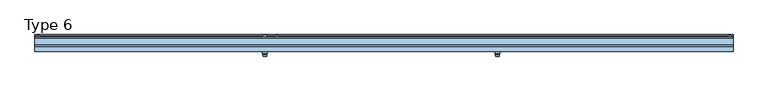
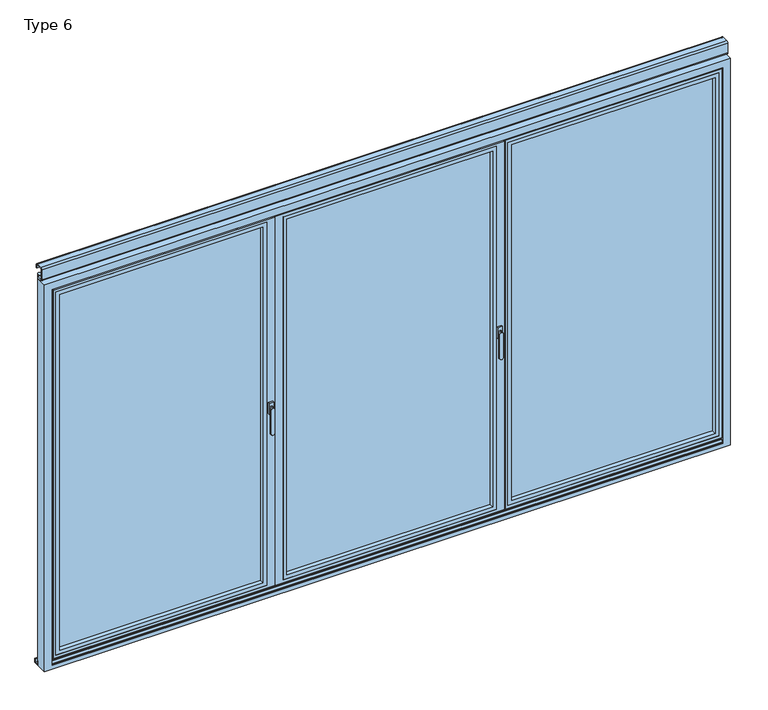
"""IFC4 building model written with IfcOpenShell, lengths in millimetres: window geometry, Type 6."""

from ifc_helpers import new_model, si_unit, point, frame, frame_2d, origin, place, context, project, spatial, polyline, circle_curve, trimmed, segment, composite_curve, outline, extrude, faceted_brep, source, transform, mapped, element, save
from ifc_brep_helpers import plane_surface, revolved_surface, advanced_brep


def type_6_958249ca(model_context):
    return source(origin(), model_context, "Body", "SolidModel", [
        advanced_brep(
        [(-620.3333333, 104.0, 896.6867153), (-620.3333333, 104.0, 1028.0), (-602.3333333, 104.0, 1028.0), (-602.3333333, 104.0, 896.6867153), (-621.3333333, 96.5, 896.6867153), (-601.3333333, 96.5, 896.6867153), (-601.3333333, 96.5, 1028.0), (-621.3333333, 96.5, 1028.0), (-622.3333333, 89.0, 1028.0), (-600.3333333, 89.0, 1028.0)],
        [
            (0, 1),
            (1, 2, circle_curve(frame((-611.3333333, 104.0, 1028.0), z_axis=(0.0, 1.0, 0.0), x_axis=(1.0, 0.0, 0.0)), 9.0)),
            (2, 3),
            (3, 0, circle_curve(frame((-611.3333333, 104.0, 896.6867153), z_axis=(0.0, 1.0, 0.0), x_axis=(-1.0, 0.0, 0.0)), 9.0)),
            (4, 5, circle_curve(frame((-611.3333333, 96.5, 896.6867153), z_axis=(0.0, -1.0, 0.0), x_axis=(-1.0, 0.0, 0.0)), 10.0)),
            (5, 6),
            (6, 7, circle_curve(frame((-611.3333333, 96.5, 1028.0), z_axis=(0.0, 1.0, 0.0), x_axis=(1.0, 0.0, 0.0)), 10.0)),
            (7, 4),
            (3, 5),
            (4, 0),
            (2, 6),
            (1, 7),
            (7, 6, circle_curve(frame((-611.3333333, 96.5, 1028.0), z_axis=(0.0, 1.0, 0.0), x_axis=(1.0, 0.0, 0.0)), 10.0)),
            (8, 9, circle_curve(frame((-611.3333333, 89.0, 1028.0), z_axis=(0.0, -1.0, 0.0), x_axis=(1.0, 0.0, 0.0)), 11.0)),
            (9, 8, circle_curve(frame((-611.3333333, 89.0, 1028.0), z_axis=(0.0, -1.0, 0.0), x_axis=(-1.0, 0.0, 0.0)), 11.0)),
            (9, 6),
            (7, 8),
        ],
        [
            plane_surface(frame((-611.3333333, 104.0, 962.3433576), z_axis=(0.0, 1.0, 0.0), x_axis=(0.0, 0.0, -1.0))),
            plane_surface(frame((-611.3333333, 96.5, 962.3433576), z_axis=(0.0, -1.0, 0.0), x_axis=(0.0, 0.0, -1.0))),
            revolved_surface(polyline([(-602.3333333, 104.0, 896.6867153), (-601.3333333, 96.5, 896.6867153)]), (-611.3333333, 171.5, 896.6867153), (0.0, -1.0, 0.0)),
            plane_surface(frame((-601.3333333, 96.5, 962.3433576), z_axis=(0.9912279006826299, 0.13216372009105404, 0.0), x_axis=(0.0, 0.0, 1.0))),
            revolved_surface(polyline([(-620.3333333, 104.0, 1028.0), (-621.3333333, 96.5, 1028.0)]), (-611.3333333, 171.5, 1028.0), (0.0, -1.0, 0.0)),
            plane_surface(frame((-621.3333333, 96.5, 962.3433576), z_axis=(-0.9912279006826269, 0.1321637200910767, 0.0), x_axis=(0.0, 0.0, -1.0))),
            plane_surface(frame((-611.3333333, 89.0, 1028.0), z_axis=(0.0, -1.0, 0.0), x_axis=(0.0, 0.0, 1.0))),
            revolved_surface(polyline([(-601.3333333, 96.5, 1028.0), (-600.3333333, 89.0, 1028.0)]), (-611.3333333, 171.5, 1028.0), (0.0, -1.0, 0.0)),
            revolved_surface(polyline([(-621.3333333, 96.5, 1028.0), (-622.3333333, 89.0, 1028.0)]), (-611.3333333, 171.5, 1028.0), (0.0, -1.0, 0.0)),
        ],
        [
            (0, [[1, 2, 3, 4]]),
            (1, [[5, 6, 7, 8]]),
            (2, [[9, -5, 10, -4]]),
            (3, [[11, -6, -9, -3]]),
            (4, [[12, 13, -11, -2]]),
            (5, [[-10, -8, -12, -1]]),
            (6, [[14, 15]]),
            (7, [[16, -13, 17, -15]]),
            (8, [[-17, -7, -16, -14]]),
        ],
    ),
        extrude(outline(polyline([(-599.3333333, 89.0), (-599.3333333, 80.0), (-623.3333333, 80.0), (-623.3333333, 89.0), (-599.3333333, 89.0)])), frame((0.0, 0.0, 998.0), z_axis=(0.0, 0.0, 1.0), x_axis=(1.0, 0.0, 0.0)), (0.0, 0.0, 1.0), 60.0),
        advanced_brep(
        [(-620.3333333, -4.0, 896.6867153), (-602.3333333, -4.0, 896.6867153), (-602.3333333, -4.0, 1028.0), (-620.3333333, -4.0, 1028.0), (-621.3333333, 3.5, 896.6867153), (-621.3333333, 3.5, 1028.0), (-601.3333333, 3.5, 1028.0), (-601.3333333, 3.5, 896.6867153), (-622.3333333, 11.0, 1028.0), (-600.3333333, 11.0, 1028.0)],
        [
            (0, 1, circle_curve(frame((-611.3333333, -4.0, 896.6867153), z_axis=(0.0, -1.0, 0.0), x_axis=(-1.0, 0.0, 0.0)), 9.0)),
            (1, 2),
            (2, 3, circle_curve(frame((-611.3333333, -4.0, 1028.0), z_axis=(0.0, -1.0, 0.0), x_axis=(1.0, 0.0, 0.0)), 9.0)),
            (3, 0),
            (4, 5),
            (5, 6, circle_curve(frame((-611.3333333, 3.5, 1028.0), z_axis=(0.0, -1.0, 0.0), x_axis=(1.0, 0.0, 0.0)), 10.0)),
            (6, 7),
            (7, 4, circle_curve(frame((-611.3333333, 3.5, 896.6867153), z_axis=(0.0, 1.0, 0.0), x_axis=(-1.0, 0.0, 0.0)), 10.0)),
            (0, 4),
            (7, 1),
            (6, 2),
            (6, 5, circle_curve(frame((-611.3333333, 3.5, 1028.0), z_axis=(0.0, -1.0, 0.0), x_axis=(1.0, 0.0, 0.0)), 10.0)),
            (5, 3),
            (8, 9, circle_curve(frame((-611.3333333, 11.0, 1028.0), z_axis=(0.0, 1.0, 0.0), x_axis=(-1.0, 0.0, 0.0)), 11.0)),
            (9, 8, circle_curve(frame((-611.3333333, 11.0, 1028.0), z_axis=(0.0, 1.0, 0.0), x_axis=(1.0, 0.0, 0.0)), 11.0)),
            (8, 5),
            (6, 9),
        ],
        [
            plane_surface(frame((-611.3333333, -4.0, 962.3433576), z_axis=(0.0, -1.0, 0.0), x_axis=(0.0, 0.0, -1.0))),
            plane_surface(frame((-611.3333333, 3.5, 962.3433576), z_axis=(0.0, 1.0, 0.0), x_axis=(0.0, 0.0, -1.0))),
            revolved_surface(polyline([(-620.3333333, -4.0, 896.6867153), (-621.3333333, 3.5, 896.6867153)]), (-611.3333333, -71.5, 896.6867153), (0.0, 1.0, 0.0)),
            plane_surface(frame((-601.3333333, 3.5, 962.3433576), z_axis=(0.9912279006826277, -0.1321637200910704, 0.0), x_axis=(0.0, 0.0, 1.0))),
            revolved_surface(polyline([(-602.3333333, -4.0, 1028.0), (-601.3333333, 3.5, 1028.0)]), (-611.3333333, -71.5, 1028.0), (0.0, 1.0, 0.0)),
            plane_surface(frame((-621.3333333, 3.5, 962.3433576), z_axis=(-0.9912279006826291, -0.1321637200910603, 0.0), x_axis=(0.0, 0.0, -1.0))),
            plane_surface(frame((-611.3333333, 11.0, 1028.0), z_axis=(0.0, 1.0, 0.0), x_axis=(0.0, 0.0, 1.0))),
            revolved_surface(polyline([(-601.3333333, 3.5, 1028.0), (-600.3333333, 11.0, 1028.0)]), (-611.3333333, -71.5, 1028.0), (0.0, 1.0, 0.0)),
            revolved_surface(polyline([(-621.3333333, 3.5, 1028.0), (-622.3333333, 11.0, 1028.0)]), (-611.3333333, -71.5, 1028.0), (0.0, 1.0, 0.0)),
        ],
        [
            (0, [[1, 2, 3, 4]]),
            (1, [[5, 6, 7, 8]]),
            (2, [[-1, 9, -8, 10]]),
            (3, [[-2, -10, -7, 11]]),
            (4, [[-3, -11, 12, 13]]),
            (5, [[-4, -13, -5, -9]]),
            (6, [[14, 15]]),
            (7, [[-14, 16, -12, 17]]),
            (8, [[-15, -17, -6, -16]]),
        ],
    ),
        extrude(outline(polyline([(-599.3333333, 11.0), (-623.3333333, 11.0), (-623.3333333, 20.0), (-599.3333333, 20.0), (-599.3333333, 11.0)])), frame((0.0, 0.0, 998.0), z_axis=(0.0, 0.0, 1.0), x_axis=(1.0, 0.0, 0.0)), (0.0, 0.0, 1.0), 60.0),
        extrude(outline(polyline([(-579.3324103, 73.0), (-579.3324103, 27.0), (-604.3333333, 27.0), (-604.3333333, 73.0), (-579.3324103, 73.0)])), frame((0.0, 0.0, 25.0), z_axis=(0.0, 0.0, 1.0), x_axis=(1.0, 0.0, 0.0)), (0.0, 0.0, 1.0), 2055.0),
        faceted_brep([(-564.3333333, 80.0, 10.0), (-1770.0, 80.0, 10.0), (-1770.0, 80.0, 35.0), (-1770.0, 80.0, 2070.0), (-1770.0, 80.0, 2095.0), (-564.3333333, 80.0, 2095.0), (-564.3333333, 80.0, 2070.0), (-564.3333333, 80.0, 35.0), (-1707.5, 80.0, 72.5), (-651.8333333, 80.0, 72.5), (-651.8333333, 80.0, 2032.5), (-1707.5, 80.0, 2032.5), (-1745.0, 20.0, 2070.0), (-1745.0, 20.0, 35.0), (-1740.0, 20.0, 35.0), (-589.3333333, 20.0, 35.0), (-589.3333333, 20.0, 2070.0), (-1740.0, 20.0, 2070.0), (-629.3333333, 20.0, 50.0), (-1730.0, 20.0, 50.0), (-1730.0, 20.0, 2055.0), (-629.3333333, 20.0, 2055.0), (-1730.0, 72.75, 50.0), (-1730.0, 72.75, 2055.0), (-629.3333333, 72.75, 50.0), (-629.3333333, 72.75, 2055.0), (-651.8333333, 72.75, 72.5), (-1707.5, 72.75, 72.5), (-1707.5, 72.75, 2032.5), (-651.8333333, 72.75, 2032.5), (-1755.0, 73.0, 25.0), (-1755.0, 27.0, 25.0), (-1755.0, 27.0, 2080.0), (-1755.0, 73.0, 2080.0), (-1755.0, 73.0, 2070.0), (-1755.0, 73.0, 35.0), (-604.3333333, 73.0, 25.0), (-604.3333333, 27.0, 25.0), (-604.3333333, 73.0, 35.0), (-604.3333333, 73.0, 2070.0), (-604.3333333, 73.0, 2080.0), (-604.3333333, 27.0, 2080.0), (-604.3333333, 27.0, 2070.0), (-604.3333333, 27.0, 35.0), (-1740.0, 27.0, 35.0), (-1745.0, 27.0, 35.0), (-1745.0, 27.0, 2070.0), (-1740.0, 27.0, 2070.0), (-1770.0, 73.0, 10.0), (-564.3333333, 73.0, 10.0), (-589.3333333, 27.0, 35.0), (-564.3333333, 73.0, 35.0), (-564.3333333, 73.0, 2070.0), (-564.3333333, 73.0, 2095.0), (-1770.0, 73.0, 2095.0), (-1770.0, 73.0, 2070.0), (-1770.0, 73.0, 35.0), (-589.3333333, 27.0, 2070.0)], [[[0, 1, 2, 3, 4, 5, 6, 7], [8, 9, 10, 11]], [[12, 13, 14, 15, 16, 17], [18, 19, 20, 21]], [[19, 22, 23, 20]], [[22, 19, 18, 24]], [[24, 18, 21, 25]], [[22, 24, 25, 23], [26, 27, 28, 29]], [[27, 8, 11, 28]], [[8, 27, 26, 9]], [[9, 26, 29, 10]], [[25, 21, 20, 23]], [[10, 29, 28, 11]], [[30, 31, 32, 33, 34, 35]], [[31, 30, 36, 37]], [[37, 36, 38, 39, 40, 41, 42, 43]], [[31, 37, 43, 44, 45, 46, 47, 42, 41, 32]], [[41, 40, 33, 32]], [[13, 12, 46, 45]], [[48, 1, 0, 49]], [[13, 45, 44, 43, 50, 15, 14]], [[48, 49, 51, 52, 53, 54, 55, 56], [36, 30, 35, 34, 33, 40, 39, 38]], [[4, 54, 53, 5]], [[46, 12, 17, 16, 57, 42, 47]], [[54, 4, 3, 2, 1, 48, 56, 55]], [[49, 0, 7, 6, 5, 53, 52, 51]], [[15, 50, 57, 16]], [[57, 50, 43, 42]]]),
        extrude(outline(polyline([(-1730.0, 72.75), (-629.3333333, 72.75), (-629.3333333, 44.75), (-1730.0, 44.75), (-1730.0, 72.75)])), frame((0.0, 0.0, 50.0), z_axis=(0.0, 0.0, 1.0), x_axis=(1.0, 0.0, 0.0)), (0.0, 0.0, 1.0), 2005.0),
        extrude(outline(polyline([(2055.0, -1730.0), (50.0, -1730.0), (50.0, -629.3333333), (2055.0, -629.3333333), (2055.0, -1730.0)]), holes=[polyline([(2035.0009231, -649.3324103), (69.9990769, -649.3324103), (69.9990769, -1710.0009231), (2035.0009231, -1710.0009231), (2035.0009231, -649.3324103)])]), frame((0.0, 20.5, 0.0), z_axis=(0.0, 1.0, 0.0), x_axis=(0.0, 0.0, 1.0)), (0.0, 0.0, 1.0), 24.25),
        extrude(outline(composite_curve([segment(trimmed(circle_curve(frame_2d((-1772.5, 93.5)), 10.0), [point((-1782.5, 93.5))], [point((-1762.5, 93.5))], False, "CARTESIAN"), True, "CONTINUOUS"), segment(trimmed(circle_curve(frame_2d((-1772.5, 93.5)), 10.0), [point((-1762.5, 93.5))], [point((-1782.5, 93.5))], False, "CARTESIAN"), True, "CONTINUOUS")], self_intersect=False)), frame((0.0, 0.0, -12.0640378), z_axis=(0.0, 0.0, 1.0), x_axis=(1.0, 0.0, 0.0)), (0.0, 0.0, 1.0), 166.5636122),
        extrude(outline(composite_curve([segment(trimmed(circle_curve(frame_2d((-1772.5, 93.5)), 10.0), [point((-1762.5, 93.5))], [point((-1782.5, 93.5))], False, "CARTESIAN"), True, "CONTINUOUS"), segment(trimmed(circle_curve(frame_2d((-1772.5, 93.5)), 10.0), [point((-1782.5, 93.5))], [point((-1762.5, 93.5))], False, "CARTESIAN"), True, "CONTINUOUS")], self_intersect=False)), frame((0.0, 0.0, 1972.5), z_axis=(0.0, 0.0, 1.0), x_axis=(1.0, 0.0, 0.0)), (0.0, 0.0, 1.0), 153.5),
        advanced_brep(
        [(572.3333333, -4.0, 896.6867153), (590.3333333, -4.0, 896.6867153), (590.3333333, -4.0, 1028.0), (572.3333333, -4.0, 1028.0), (571.3333333, 3.5, 896.6867153), (571.3333333, 3.5, 1028.0), (591.3333333, 3.5, 1028.0), (591.3333333, 3.5, 896.6867153), (570.3333333, 11.0, 1028.0), (592.3333333, 11.0, 1028.0)],
        [
            (0, 1, circle_curve(frame((581.3333333, -4.0, 896.6867153), z_axis=(0.0, -1.0, 0.0), x_axis=(-1.0000000000000009, 0.0, 0.0)), 9.0)),
            (1, 2),
            (2, 3, circle_curve(frame((581.3333333, -4.0, 1028.0), z_axis=(0.0, -1.0, 0.0), x_axis=(1.0000000000000009, 0.0, 0.0)), 9.0)),
            (3, 0),
            (4, 5),
            (5, 6, circle_curve(frame((581.3333333, 3.5, 1028.0), z_axis=(0.0, -1.0, 0.0), x_axis=(1.0000000000000009, 0.0, 0.0)), 10.0)),
            (6, 7),
            (7, 4, circle_curve(frame((581.3333333, 3.5, 896.6867153), z_axis=(0.0, 1.0, 0.0), x_axis=(-1.0000000000000009, 0.0, 0.0)), 10.0)),
            (0, 4),
            (7, 1),
            (6, 2),
            (6, 5, circle_curve(frame((581.3333333, 3.5, 1028.0), z_axis=(0.0, -1.0, 0.0), x_axis=(1.0000000000000009, 0.0, 0.0)), 10.0)),
            (5, 3),
            (8, 9, circle_curve(frame((581.3333333, 11.0, 1028.0), z_axis=(0.0, 1.0, 0.0), x_axis=(-1.0000000000000009, 0.0, 0.0)), 11.0)),
            (9, 8, circle_curve(frame((581.3333333, 11.0, 1028.0), z_axis=(0.0, 1.0, 0.0), x_axis=(1.0000000000000009, 0.0, 0.0)), 11.0)),
            (8, 5),
            (6, 9),
        ],
        [
            plane_surface(frame((581.3333333, -4.0, 962.3433576), z_axis=(0.0, -1.0, 0.0), x_axis=(0.0, 0.0, -1.0))),
            plane_surface(frame((581.3333333, 3.5, 962.3433576), z_axis=(0.0, 1.0, 0.0), x_axis=(0.0, 0.0, -1.0))),
            revolved_surface(polyline([(572.3333333, -4.0, 896.6867153), (571.3333333, 3.5, 896.6867153)]), (581.3333333, -71.5, 896.6867153), (0.0, 1.0000000000000009, 0.0)),
            plane_surface(frame((591.3333333, 3.5, 962.3433576), z_axis=(0.9912279006826268, -0.1321637200910768, 0.0), x_axis=(0.0, 0.0, 1.0))),
            revolved_surface(polyline([(590.3333333, -4.0, 1028.0), (591.3333333, 3.5, 1028.0)]), (581.3333333, -71.5, 1028.0), (0.0, 1.0000000000000009, 0.0)),
            plane_surface(frame((571.3333333, 3.5, 962.3433576), z_axis=(-0.99122790068263, -0.13216372009105393, 0.0), x_axis=(0.0, 0.0, -1.0))),
            plane_surface(frame((581.3333333, 11.0, 1028.0), z_axis=(0.0, 1.0, 0.0), x_axis=(0.0, 0.0, 1.0))),
            revolved_surface(polyline([(591.3333333, 3.5, 1028.0), (592.3333333, 11.0, 1028.0)]), (581.3333333, -71.5, 1028.0), (0.0, 1.0000000000000009, 0.0)),
            revolved_surface(polyline([(571.3333333, 3.5, 1028.0), (570.3333333, 11.0, 1028.0)]), (581.3333333, -71.5, 1028.0), (0.0, 1.0000000000000009, 0.0)),
        ],
        [
            (0, [[1, 2, 3, 4]]),
            (1, [[5, 6, 7, 8]]),
            (2, [[-1, 9, -8, 10]]),
            (3, [[-2, -10, -7, 11]]),
            (4, [[-3, -11, 12, 13]]),
            (5, [[-4, -13, -5, -9]]),
            (6, [[14, 15]]),
            (7, [[-14, 16, -12, 17]]),
            (8, [[-15, -17, -6, -16]]),
        ],
    ),
        extrude(outline(polyline([(593.3333333, 11.0), (569.3333333, 11.0), (569.3333333, 20.0), (593.3333333, 20.0), (593.3333333, 11.0)])), frame((0.0, 0.0, 998.0), z_axis=(0.0, 0.0, 1.0), x_axis=(1.0, 0.0, 0.0)), (0.0, 0.0, 1.0), 60.0),
        faceted_brep([(583.8333333, 80.0, 10.0), (-559.3333333, 80.0, 10.0), (-559.3333333, 80.0, 35.0), (-559.3333333, 80.0, 2070.0), (-559.3333333, 80.0, 2095.0), (583.8333333, 80.0, 2095.0), (583.8333333, 80.0, 2070.0), (583.8333333, 80.0, 35.0), (-521.8333333, 80.0, 72.5), (546.3333333, 80.0, 72.5), (546.3333333, 80.0, 2032.5), (-521.8333333, 80.0, 2032.5), (608.8333333, 20.0, 35.0), (608.8333333, 20.0, 2070.0), (-584.3333333, 20.0, 2070.0), (-584.3333333, 20.0, 35.0), (568.8333333, 20.0, 50.0), (-544.3333333, 20.0, 50.0), (-544.3333333, 20.0, 2055.0), (568.8333333, 20.0, 2055.0), (-544.3333333, 72.75, 50.0), (-544.3333333, 72.75, 2055.0), (568.8333333, 72.75, 50.0), (568.8333333, 72.75, 2055.0), (546.3333333, 72.75, 72.5), (-521.8333333, 72.75, 72.5), (-521.8333333, 72.75, 2032.5), (546.3333333, 72.75, 2032.5), (-559.3333333, 73.0, 10.0), (583.8333333, 73.0, 10.0), (608.8333333, 27.0, 35.0), (-584.3333333, 27.0, 35.0), (-569.3333333, 27.0, 35.0), (593.8333333, 27.0, 35.0), (-569.3333333, 73.0, 25.0), (-569.3333333, 73.0, 2080.0), (-559.3333333, 73.0, 2080.0), (-559.3333333, 73.0, 2070.0), (-559.3333333, 73.0, 35.0), (-559.3333333, 73.0, 25.0), (593.8333333, 73.0, 2080.0), (593.8333333, 73.0, 25.0), (583.8333333, 73.0, 25.0), (583.8333333, 73.0, 35.0), (583.8333333, 73.0, 2070.0), (583.8333333, 73.0, 2080.0), (-569.3333333, 27.0, 25.0), (-569.3333333, 27.0, 2070.0), (-569.3333333, 27.0, 2080.0), (593.8333333, 27.0, 25.0), (593.8333333, 27.0, 2080.0), (593.8333333, 27.0, 2070.0), (608.8333333, 27.0, 2070.0), (-584.3333333, 27.0, 2070.0), (-559.3333333, 73.0, 2095.0), (583.8333333, 73.0, 2095.0)], [[[0, 1, 2, 3, 4, 5, 6, 7], [8, 9, 10, 11]], [[12, 13, 14, 15], [16, 17, 18, 19]], [[17, 20, 21, 18]], [[20, 17, 16, 22]], [[22, 16, 19, 23]], [[20, 22, 23, 21], [24, 25, 26, 27]], [[25, 8, 11, 26]], [[8, 25, 24, 9]], [[9, 24, 27, 10]], [[23, 19, 18, 21]], [[10, 27, 26, 11]], [[28, 1, 0, 29]], [[30, 12, 15, 31, 32, 33]], [[34, 35, 36, 37, 38, 39]], [[40, 41, 42, 43, 44, 45]], [[34, 46, 32, 47, 48, 35]], [[46, 34, 39, 42, 41, 49]], [[49, 41, 40, 50, 51, 33]], [[46, 49, 33, 32]], [[50, 48, 47, 51]], [[50, 40, 45, 36, 35, 48]], [[14, 13, 52, 51, 47, 53]], [[54, 4, 3, 2, 1, 28, 39, 38, 37, 36]], [[29, 0, 7, 6, 5, 55, 45, 44, 43, 42]], [[39, 28, 29, 42]], [[54, 36, 45, 55]], [[4, 54, 55, 5]], [[12, 30, 52, 13]], [[14, 53, 31, 15]], [[52, 30, 33, 51]], [[31, 53, 47, 32]]]),
        extrude(outline(polyline([(-544.3333333, 72.75), (568.8333333, 72.75), (568.8333333, 44.75), (-544.3333333, 44.75), (-544.3333333, 72.75)])), frame((0.0, 0.0, 50.0), z_axis=(0.0, 0.0, 1.0), x_axis=(1.0, 0.0, 0.0)), (0.0, 0.0, 1.0), 2005.0),
        extrude(outline(polyline([(2055.0, -544.3333333), (50.0, -544.3333333), (50.0, 568.8333333), (2055.0, 568.8333333), (2055.0, -544.3333333)]), holes=[polyline([(2035.0009231, 548.8342564), (69.9990769, 548.8342564), (69.9990769, -524.3342564), (2035.0009231, -524.3342564), (2035.0009231, 548.8342564)])]), frame((0.0, 20.5, 0.0), z_axis=(0.0, 1.0, 0.0), x_axis=(0.0, 0.0, 1.0)), (0.0, 0.0, 1.0), 24.25),
        extrude(outline(composite_curve([segment(trimmed(circle_curve(frame_2d((-549.3333333, 93.5)), 10.0), [point((-559.3333333, 93.5))], [point((-539.3333333, 93.5))], False, "CARTESIAN"), True, "CONTINUOUS"), segment(trimmed(circle_curve(frame_2d((-549.3333333, 93.5)), 10.0), [point((-539.3333333, 93.5))], [point((-559.3333333, 93.5))], False, "CARTESIAN"), True, "CONTINUOUS")], self_intersect=False)), frame((0.0, 0.0, -12.0640378), z_axis=(0.0, 0.0, 1.0), x_axis=(1.0, 0.0, 0.0)), (0.0, 0.0, 1.0), 166.5636122),
        extrude(outline(composite_curve([segment(trimmed(circle_curve(frame_2d((-549.3333333, 93.5)), 10.0), [point((-539.3333333, 93.5))], [point((-559.3333333, 93.5))], False, "CARTESIAN"), True, "CONTINUOUS"), segment(trimmed(circle_curve(frame_2d((-549.3333333, 93.5)), 10.0), [point((-559.3333333, 93.5))], [point((-539.3333333, 93.5))], False, "CARTESIAN"), True, "CONTINUOUS")], self_intersect=False)), frame((0.0, 0.0, 1972.5), z_axis=(0.0, 0.0, 1.0), x_axis=(1.0, 0.0, 0.0)), (0.0, 0.0, 1.0), 153.5),
        faceted_brep([(589.0333333, 80.0, 10.0), (589.0333333, 80.0, 35.0), (589.0333333, 80.0, 2070.0), (589.0333333, 80.0, 2095.0), (1770.0, 80.0, 2095.0), (1770.0, 80.0, 2070.0), (1770.0, 80.0, 35.0), (1770.0, 80.0, 10.0), (1707.5, 80.0, 72.5), (1707.5, 80.0, 2032.5), (651.5333333, 80.0, 2032.5), (651.5333333, 80.0, 72.5), (614.0333333, 20.0, 35.0), (619.0333333, 20.0, 35.0), (1740.0, 20.0, 35.0), (1745.0, 20.0, 35.0), (1745.0, 20.0, 2070.0), (1740.0, 20.0, 2070.0), (619.0333333, 20.0, 2070.0), (614.0333333, 20.0, 2070.0), (629.0333333, 20.0, 50.0), (629.0333333, 20.0, 2055.0), (1730.0, 20.0, 2055.0), (1730.0, 20.0, 50.0), (1730.0, 72.75, 2055.0), (1730.0, 72.75, 50.0), (629.0333333, 72.75, 50.0), (629.0333333, 72.75, 2055.0), (651.5333333, 72.75, 72.5), (651.5333333, 72.75, 2032.5), (1707.5, 72.75, 2032.5), (1707.5, 72.75, 72.5), (1770.0, 73.0, 10.0), (589.0333333, 73.0, 10.0), (614.0333333, 27.0, 35.0), (619.0333333, 27.0, 35.0), (1740.0, 27.0, 35.0), (1745.0, 27.0, 35.0), (1755.0, 73.0, 25.0), (1755.0, 73.0, 35.0), (1755.0, 73.0, 2070.0), (1755.0, 73.0, 2080.0), (1755.0, 27.0, 2080.0), (1755.0, 27.0, 25.0), (604.0333333, 27.0, 25.0), (604.0333333, 73.0, 25.0), (604.0333333, 27.0, 2080.0), (604.0333333, 73.0, 2080.0), (604.0333333, 73.0, 2070.0), (604.0333333, 73.0, 35.0), (614.0333333, 27.0, 2070.0), (619.0333333, 27.0, 2070.0), (1740.0, 27.0, 2070.0), (1745.0, 27.0, 2070.0), (1770.0, 73.0, 35.0), (1770.0, 73.0, 2070.0), (1770.0, 73.0, 2095.0), (589.0333333, 73.0, 2095.0), (589.0333333, 73.0, 2070.0), (589.0333333, 73.0, 35.0)], [[[0, 1, 2, 3, 4, 5, 6, 7], [8, 9, 10, 11]], [[12, 13, 14, 15, 16, 17, 18, 19], [20, 21, 22, 23]], [[23, 22, 24, 25]], [[25, 26, 20, 23]], [[26, 27, 21, 20]], [[25, 24, 27, 26], [28, 29, 30, 31]], [[31, 30, 9, 8]], [[8, 11, 28, 31]], [[11, 10, 29, 28]], [[27, 24, 22, 21]], [[10, 9, 30, 29]], [[32, 33, 0, 7]], [[15, 14, 13, 12, 34, 35, 36, 37]], [[38, 39, 40, 41, 42, 43]], [[43, 44, 45, 38]], [[44, 46, 47, 48, 49, 45]], [[46, 42, 41, 47]], [[43, 42, 46, 44], [37, 36, 35, 34, 50, 51, 52, 53]], [[19, 50, 34, 12]], [[15, 37, 53, 16]], [[32, 54, 55, 56, 57, 58, 59, 33], [45, 49, 48, 47, 41, 40, 39, 38]], [[4, 3, 57, 56]], [[19, 18, 17, 16, 53, 52, 51, 50]], [[56, 55, 54, 32, 7, 6, 5, 4]], [[33, 59, 58, 57, 3, 2, 1, 0]]]),
        extrude(outline(polyline([(1730.0, 72.75), (1730.0, 44.75), (629.0333333, 44.75), (629.0333333, 72.75), (1730.0, 72.75)])), frame((0.0, 0.0, 50.0), z_axis=(0.0, 0.0, 1.0), x_axis=(1.0, 0.0, 0.0)), (0.0, 0.0, 1.0), 2005.0),
        extrude(outline(polyline([(2055.0, 1730.0), (2055.0, 629.0333333), (50.0, 629.0333333), (50.0, 1730.0), (2055.0, 1730.0)]), holes=[polyline([(2035.0009231, 649.0324103), (2035.0009231, 1710.0009231), (69.9990769, 1710.0009231), (69.9990769, 649.0324103), (2035.0009231, 649.0324103)])]), frame((0.0, 20.5, 0.0), z_axis=(0.0, 1.0, 0.0), x_axis=(0.0, 0.0, 1.0)), (0.0, 0.0, 1.0), 24.25),
        extrude(outline(composite_curve([segment(trimmed(circle_curve(frame_2d((1772.5, 93.5)), 10.0), [point((1782.5, 93.5))], [point((1762.5, 93.5))], False, "CARTESIAN"), True, "CONTINUOUS"), segment(trimmed(circle_curve(frame_2d((1772.5, 93.5)), 10.0), [point((1762.5, 93.5))], [point((1782.5, 93.5))], False, "CARTESIAN"), True, "CONTINUOUS")], self_intersect=False)), frame((0.0, 0.0, -12.0640378), z_axis=(0.0, 0.0, 1.0), x_axis=(1.0, 0.0, 0.0)), (0.0, 0.0, 1.0), 166.5636122),
        extrude(outline(composite_curve([segment(trimmed(circle_curve(frame_2d((1772.5, 93.5)), 10.0), [point((1762.5, 93.5))], [point((1782.5, 93.5))], False, "CARTESIAN"), True, "CONTINUOUS"), segment(trimmed(circle_curve(frame_2d((1772.5, 93.5)), 10.0), [point((1782.5, 93.5))], [point((1762.5, 93.5))], False, "CARTESIAN"), True, "CONTINUOUS")], self_intersect=False)), frame((0.0, 0.0, 1972.5), z_axis=(0.0, 0.0, 1.0), x_axis=(1.0, 0.0, 0.0)), (0.0, 0.0, 1.0), 153.5),
        extrude(outline(composite_curve([segment(polyline([(95.0, 2165.0), (91.0, 2165.0), (91.0, 2182.0)]), True, "CONTINUOUS"), segment(trimmed(circle_curve(frame_2d((87.0, 2182.0)), 4.0), [point((91.0, 2182.0))], [point((87.0, 2186.0))], True, "CARTESIAN"), True, "CONTINUOUS"), segment(polyline([(87.0, 2186.0), (53.0, 2186.0)]), True, "CONTINUOUS"), segment(trimmed(circle_curve(frame_2d((53.0, 2182.0)), 4.0), [point((53.0, 2186.0))], [point((49.0, 2182.0))], True, "CARTESIAN"), True, "CONTINUOUS"), segment(polyline([(49.0, 2182.0), (49.0, 2128.0)]), True, "CONTINUOUS"), segment(trimmed(circle_curve(frame_2d((53.0, 2128.0)), 4.0), [point((49.0, 2128.0))], [point((53.0, 2124.0))], True, "CARTESIAN"), True, "CONTINUOUS"), segment(polyline([(53.0, 2124.0), (80.0, 2124.0), (80.0, 2115.0), (58.5, 2115.0), (58.5, 2120.0), (53.0, 2120.0)]), True, "CONTINUOUS"), segment(trimmed(circle_curve(frame_2d((53.0, 2128.0)), 8.0), [point((53.0, 2120.0))], [point((45.0, 2128.0))], False, "CARTESIAN"), True, "CONTINUOUS"), segment(polyline([(45.0, 2128.0), (45.0, 2182.0)]), True, "CONTINUOUS"), segment(trimmed(circle_curve(frame_2d((53.0, 2182.0)), 8.0), [point((45.0, 2182.0))], [point((53.0, 2190.0))], False, "CARTESIAN"), True, "CONTINUOUS"), segment(polyline([(53.0, 2190.0), (87.0, 2190.0)]), True, "CONTINUOUS"), segment(trimmed(circle_curve(frame_2d((87.0, 2182.0)), 8.0), [point((87.0, 2190.0))], [point((95.0, 2182.0))], False, "CARTESIAN"), True, "CONTINUOUS"), segment(polyline([(95.0, 2182.0), (95.0, 2165.0)]), True, "CONTINUOUS")], self_intersect=False)), frame((-1790.0, 0.0, 0.0), z_axis=(1.0, 0.0, 0.0), x_axis=(0.0, 1.0, 0.0)), (0.0, 0.0, 1.0), 3580.0),
        extrude(outline(polyline([(82.5218516, 1.0), (82.5218516, -19.0), (103.5218516, -19.0), (103.5218516, 1.0), (106.5218516, 1.0), (106.5218516, -22.0), (80.0, -22.0), (80.0, 1.0), (82.5218516, 1.0)])), frame((-1790.0, 0.0, 0.0), z_axis=(1.0, 0.0, 0.0), x_axis=(0.0, 1.0, 0.0)), (0.0, 0.0, 1.0), 3580.0),
        faceted_brep([(1790.0, 80.0, -22.0), (1790.0, 20.0, -22.0), (-1790.0, 20.0, -22.0), (-1790.0, 80.0, -22.0), (1790.0, 20.0, 2115.0), (1790.0, 80.0, 2115.0), (-1790.0, 20.0, 2115.0), (1750.0, 20.0, 2075.0), (1750.0, 20.0, 2.0), (-1750.0, 20.0, 2.0), (-1750.0, 20.0, 2075.0), (-1790.0, 80.0, 2115.0), (-1775.0, 80.0, 2100.0), (-1775.0, 80.0, 2.0), (1775.0, 80.0, 2.0), (1775.0, 80.0, 2100.0), (-1775.0, 73.0, 2100.0), (-1775.0, 73.0, 2.0), (1775.0, 73.0, 2.0), (1775.0, 73.0, 2100.0), (1750.0, 27.0, 2075.0), (1750.0, 27.0, 18.5), (1750.0, 23.5, 8.0), (1750.0, 23.5, 2.0), (-1750.0, 27.0, 2075.0), (-1750.0, 23.5, 2.0), (-1750.0, 23.5, 8.0), (-1750.0, 27.0, 18.5), (-1765.0, 27.0, 18.5), (-1765.0, 27.0, 2090.0), (1765.0, 27.0, 2090.0), (1765.0, 27.0, 18.5), (1765.0, 73.0, 2090.0), (1765.0, 73.0, 14.5), (1765.0, 37.849718, 14.5), (1765.0, 33.0276133, 18.5), (-1765.0, 73.0, 2090.0), (-1765.0, 33.0276133, 18.5), (-1765.0, 37.849718, 14.5), (-1765.0, 73.0, 14.5)], [[[0, 1, 2, 3]], [[4, 1, 0, 5]], [[2, 1, 4, 6], [7, 8, 9, 10]], [[2, 6, 11, 3]], [[0, 3, 11, 5], [12, 13, 14, 15]], [[12, 16, 17, 13]], [[18, 19, 15, 14]], [[7, 20, 21, 22, 23, 8]], [[24, 10, 9, 25, 26, 27]], [[20, 24, 27, 28, 29, 30, 31, 21]], [[30, 32, 33, 34, 35, 31]], [[36, 29, 28, 37, 38, 39]], [[16, 19, 18, 17], [32, 36, 39, 33]], [[12, 15, 19, 16]], [[5, 11, 6, 4]], [[7, 10, 24, 20]], [[30, 29, 36, 32]], [[14, 13, 17, 18]], [[9, 8, 23, 25]], [[21, 27, 26, 22]], [[25, 23, 22, 26]], [[27, 21, 31, 35, 37, 28]], [[33, 39, 38, 34]], [[37, 35, 34, 38]]]),
    ])


if __name__ == "__main__":
    model = new_model("IFC4")
    model_context = context("Model", 3, world=origin())
    ifc_project = project(units=[si_unit("LENGTHUNIT", "METRE", prefix="MILLI")], contexts=[model_context])
    site = spatial("IfcSite", under=ifc_project)
    building = spatial("IfcBuilding", under=site)
    placement = place(None, origin())
    type_6_shape = type_6_958249ca(model_context)
    element("IfcWindow", 1, ObjectType="Type 6", at=placement, inside=building, context=model_context, shape_type="MappedRepresentation", body=[
        mapped(type_6_shape, transform((0.0, 0.0, 0.0), x_axis=(1.0, 0.0, 0.0), y_axis=(0.0, 1.0, 0.0), z_axis=(0.0, 0.0, 1.0))),
    ])
    save(model, "model.ifc")
